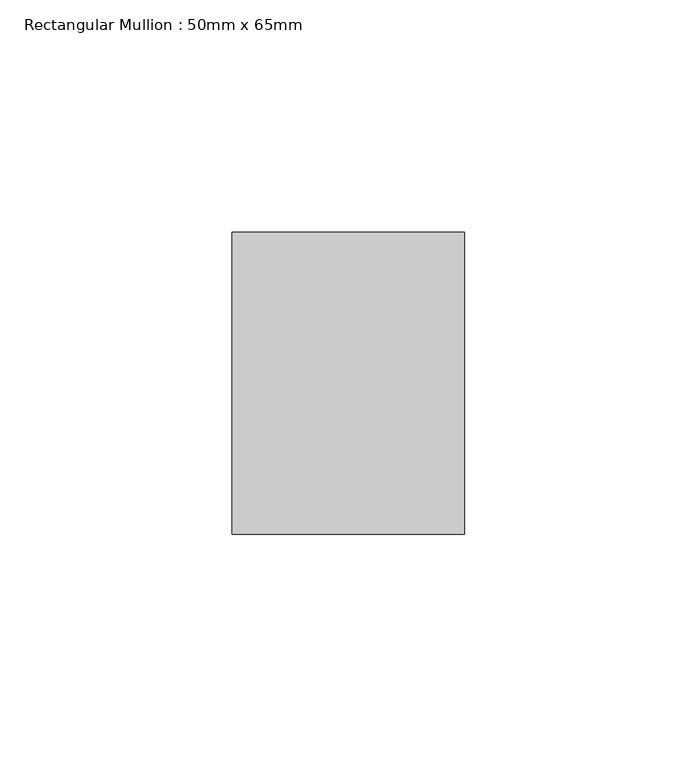
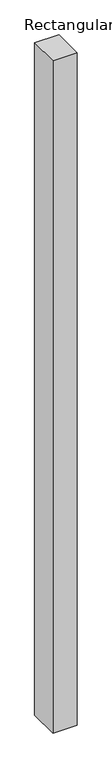
"""IFC4 building model written with IfcOpenShell, lengths in millimetres: member geometry, Rectangular Mullion : 50mm x 65mm."""

from ifc_helpers import new_model, si_unit, frame, origin, place, context, project, spatial, polyline, outline, extrude, source, transform, mapped, element, save


def rectangular_mullion_50mm_x_65mm_74b9f954(model_context):
    return source(origin(), model_context, "Body", "SweptSolid", [
        extrude(outline(polyline([(25.0, 32.5), (25.0, -32.5), (-25.0, -32.5), (-25.0, 32.5), (25.0, 32.5)])), frame((0.0, 0.0, -1473.7159845), z_axis=(0.0, 0.0, 1.0), x_axis=(1.0, 0.0, 0.0)), (0.0, 0.0, 1.0), 1473.7159845),
    ])


if __name__ == "__main__":
    model = new_model("IFC4")
    model_context = context("Model", 3, world=origin())
    ifc_project = project(units=[si_unit("LENGTHUNIT", "METRE", prefix="MILLI")], contexts=[model_context])
    site = spatial("IfcSite", under=ifc_project)
    building = spatial("IfcBuilding", under=site)
    placement = place(None, origin())
    rectangular_mullion_50mm_x_65mm_shape = rectangular_mullion_50mm_x_65mm_74b9f954(model_context)
    element("IfcMember", 1, ObjectType="Rectangular Mullion : 50mm x 65mm", at=placement, inside=building, context=model_context, shape_type="MappedRepresentation", body=[
        mapped(rectangular_mullion_50mm_x_65mm_shape, transform((0.0, 0.0, 0.0), x_axis=(1.0, 0.0, 0.0), y_axis=(0.0, 1.0, 0.0), z_axis=(0.0, 0.0, 1.0))),
    ])
    save(model, "model.ifc")
